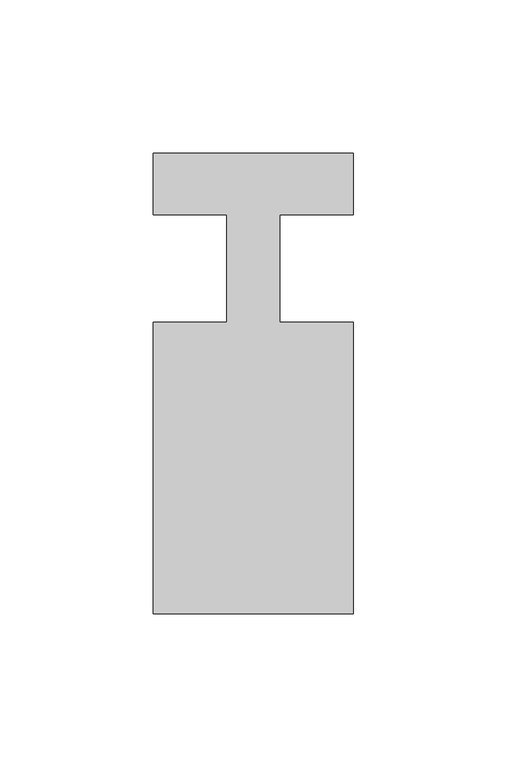
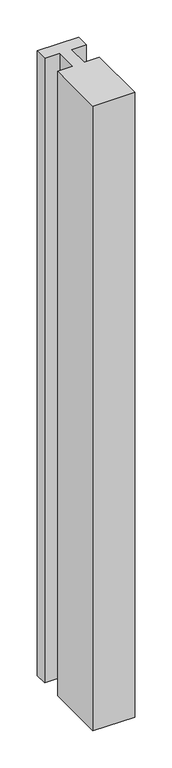
"""IFC4 building model written with IfcOpenShell, lengths in millimetres: member geometry."""

from ifc_helpers import new_model, si_unit, frame, origin, place, context, project, spatial, polyline, outline, extrude, source, transform, mapped, element, save


def member_facefe90(model_context):
    return source(origin(), model_context, "Body", "SweptSolid", [
        extrude(outline(polyline([(-65.0, 37.0), (0.0, 37.0), (0.0, 17.0), (-23.8125, 17.0), (-23.8125, -18.0), (0.0, -18.0), (0.0, -113.0), (-65.0, -113.0), (-65.0, -18.0), (-41.1875, -18.0), (-41.1875, 17.0), (-65.0, 17.0), (-65.0, 37.0)])), frame((0.0, 0.0, -1026.7857143), z_axis=(0.0, 0.0, 1.0), x_axis=(1.0, 0.0, 0.0)), (0.0, 0.0, 1.0), 1026.7857143),
    ])


if __name__ == "__main__":
    model = new_model("IFC4")
    model_context = context("Model", 3, world=origin())
    ifc_project = project(units=[si_unit("LENGTHUNIT", "METRE", prefix="MILLI")], contexts=[model_context])
    site = spatial("IfcSite", under=ifc_project)
    building = spatial("IfcBuilding", under=site)
    placement = place(None, origin())
    member_shape = member_facefe90(model_context)
    element("IfcMember", 1, at=placement, inside=building, context=model_context, shape_type="MappedRepresentation", body=[
        mapped(member_shape, transform((0.0, 0.0, 0.0), x_axis=(1.0, 0.0, 0.0), y_axis=(0.0, 1.0, 0.0), z_axis=(0.0, 0.0, 1.0))),
    ])
    save(model, "model.ifc")
